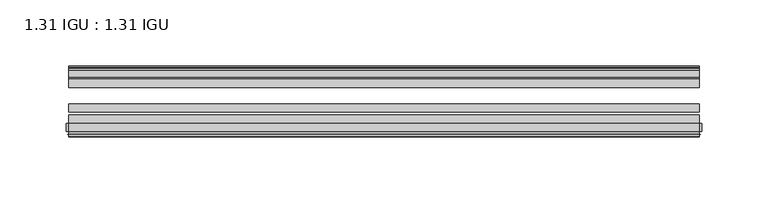
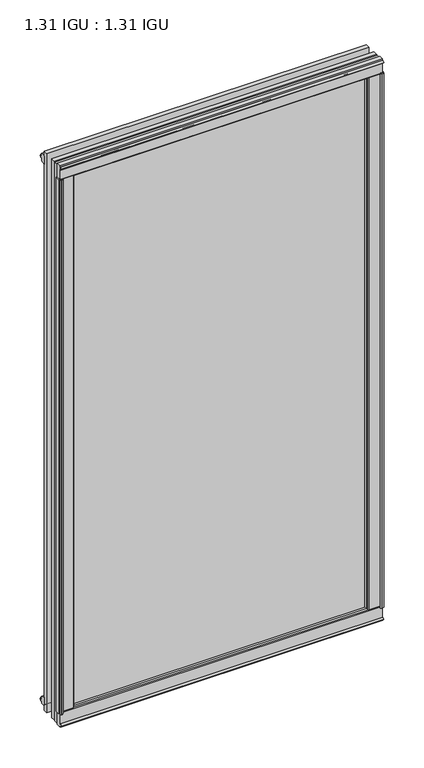
"""IFC4 building model written with IfcOpenShell, lengths in millimetres: plate geometry, 1.31 IGU : 1.31 IGU."""

import ifcopenshell
import ifcopenshell.guid

model = None  # the IFC model being written
_history = None  # IfcOwnerHistory: only IFC2X3 demands one
_inside = {}  # id of a spatial element -> (the spatial element, [elements in it])
_under = {}  # id of a project, library or spatial element -> (it, [spatial elements below it])
_declared = {}  # id of a project -> (the project, [libraries it declares])
_typed = {}  # id of a type object -> (the type object, [elements of that type])
_made_of = {}  # id of a material, layer set ... -> (it, [elements and type objects made of it])


def new_model(schema):
    """Start an empty IFC model of exactly this schema.

    Asked for "IFC4X3", IfcOpenShell would pick the latest addendum, in which some entities
    have other attributes; the version numbers below select the first issue.
    IFC2X3 requires an IfcOwnerHistory on every rooted entity: one is made here for all.
    """
    global model, _history
    if schema == "IFC4X3":
        model = ifcopenshell.file(schema_version=(4, 3, 0, 0))
    else:
        model = ifcopenshell.file(schema=schema)
    _inside.clear()
    _under.clear()
    _declared.clear()
    _typed.clear()
    _made_of.clear()
    _history = None
    if model.schema == "IFC2X3":
        org = make("IfcOrganization", Name="unknown")
        user = make(
            "IfcPersonAndOrganization",
            ThePerson=make("IfcPerson", FamilyName="unknown"),
            TheOrganization=org,
        )
        app = make(
            "IfcApplication",
            ApplicationDeveloper=org,
            Version="unknown",
            ApplicationFullName="unknown",
            ApplicationIdentifier="unknown",
        )
        _history = make(
            "IfcOwnerHistory",
            OwningUser=user,
            OwningApplication=app,
            ChangeAction="ADDED",
            CreationDate=0,
        )
    return model


def make(cls, **values):
    """One entity of the class cls with the attributes given. An attribute that is None is left unset."""
    return model.create_entity(
        cls, **{name: value for name, value in values.items() if value is not None}
    )


def rooted(cls, **values):
    """An entity with a GlobalId (a new one), such as an element, a storey or a relation."""
    return make(cls, GlobalId=ifcopenshell.guid.new(), OwnerHistory=_history, **values)


def si_unit(unit_type, name, prefix=None):
    """IfcSIUnit, for example si_unit("LENGTHUNIT", "METRE", prefix="MILLI")."""
    return make("IfcSIUnit", UnitType=unit_type, Prefix=prefix, Name=name)


def assignment(units):
    """IfcUnitAssignment: the units of a project."""
    return None if units is None else make("IfcUnitAssignment", Units=units)


def point(xyz):
    """IfcCartesianPoint."""
    return None if xyz is None else make("IfcCartesianPoint", Coordinates=xyz)


def direction(xyz):
    """IfcDirection."""
    return None if xyz is None else make("IfcDirection", DirectionRatios=xyz)


def frame(location, z_axis=None, x_axis=None):
    """IfcAxis2Placement3D, a coordinate frame: its origin and axes. An axis left out is left unset."""
    return make(
        "IfcAxis2Placement3D",
        Location=point(location),
        Axis=direction(z_axis),
        RefDirection=direction(x_axis),
    )


def frame_2d(location, x_axis=None):
    """IfcAxis2Placement2D, a coordinate frame in the plane: its origin and x axis."""
    return make(
        "IfcAxis2Placement2D", Location=point(location), RefDirection=direction(x_axis)
    )


def origin():
    """The frame at (0, 0, 0) with its axes left unset."""
    return frame((0.0, 0.0, 0.0))


def origin_with_axes():
    """The frame at (0, 0, 0) with the z axis (0, 0, 1) and the x axis (1, 0, 0) written out."""
    return frame((0.0, 0.0, 0.0), z_axis=(0.0, 0.0, 1.0), x_axis=(1.0, 0.0, 0.0))


def place(relative_to, where):
    """IfcLocalPlacement: puts the frame where relative to a parent placement (None: the world)."""
    return make(
        "IfcLocalPlacement", PlacementRelTo=relative_to, RelativePlacement=where
    )


def context(
    kind, dimensions, precision=None, world=None, true_north=None, identifier=None
):
    """IfcGeometricRepresentationContext, for example the 3D "Model" context."""
    return make(
        "IfcGeometricRepresentationContext",
        ContextIdentifier=identifier,
        ContextType=kind,
        CoordinateSpaceDimension=dimensions,
        Precision=precision,
        WorldCoordinateSystem=world,
        TrueNorth=true_north,
    )


def project(units=None, contexts=None):
    """IfcProject with its units and contexts."""
    return rooted(
        "IfcProject",
        Name="project",
        RepresentationContexts=contexts,
        UnitsInContext=assignment(units),
    )


def spatial(cls, under=None, at=None, **own):
    """A site, building, storey or space (cls), placed at a placement, below another one or the project."""
    s = rooted(cls, ObjectPlacement=at, **own)
    if under is not None:
        _under.setdefault(under.id(), (under, []))[1].append(s)
    return s


def polyline(points):
    """IfcPolyline through the points."""
    return make("IfcPolyline", Points=[point(p) for p in points])


def circle_curve(where, radius):
    """IfcCircle in the frame where."""
    return make("IfcCircle", Position=where, Radius=radius)


def trimmed(basis, trim1, trim2, sense, master):
    """IfcTrimmedCurve: the piece of a basis curve between two trims."""
    return make(
        "IfcTrimmedCurve",
        BasisCurve=basis,
        Trim1=trim1,
        Trim2=trim2,
        SenseAgreement=sense,
        MasterRepresentation=master,
    )


def segment(curve, same_sense, transition):
    """IfcCompositeCurveSegment."""
    return make(
        "IfcCompositeCurveSegment",
        Transition=transition,
        SameSense=same_sense,
        ParentCurve=curve,
    )


def composite_curve(segments, self_intersect=None):
    """IfcCompositeCurve: segments joined end to end."""
    return make("IfcCompositeCurve", Segments=segments, SelfIntersect=self_intersect)


def outline(outer, holes=None, kind="AREA"):
    """IfcArbitraryClosedProfileDef: a profile drawn as a closed curve; with holes, ...WithVoids."""
    if holes is None:
        return make("IfcArbitraryClosedProfileDef", ProfileType=kind, OuterCurve=outer)
    return make(
        "IfcArbitraryProfileDefWithVoids",
        ProfileType=kind,
        OuterCurve=outer,
        InnerCurves=holes,
    )


def extrude(swept, where, along, depth):
    """IfcExtrudedAreaSolid: the profile swept, set in the frame where, extruded along a direction by depth."""
    return make(
        "IfcExtrudedAreaSolid",
        SweptArea=swept,
        Position=where,
        ExtrudedDirection=direction(along),
        Depth=depth,
    )


def shape(context_of_items, identifier, shape_type, items):
    """IfcShapeRepresentation: the items that make up one representation, for example the "Body"."""
    return make(
        "IfcShapeRepresentation",
        ContextOfItems=context_of_items,
        RepresentationIdentifier=identifier,
        RepresentationType=shape_type,
        Items=items,
    )


def source(mapping_origin, context_of_items, identifier, shape_type, items):
    """IfcRepresentationMap: a shape defined once, which mapped items show again and again."""
    return make(
        "IfcRepresentationMap",
        MappingOrigin=mapping_origin,
        MappedRepresentation=shape(context_of_items, identifier, shape_type, items),
    )


def transform(
    local_origin,
    x_axis=None,
    y_axis=None,
    z_axis=None,
    scale=None,
    scale2=None,
    scale3=None,
    uniform=True,
):
    """IfcCartesianTransformationOperator3D, or its non-uniform kind. x_axis, y_axis, z_axis: its Axis1, 2, 3."""
    if uniform:
        return make(
            "IfcCartesianTransformationOperator3D",
            Axis1=direction(x_axis),
            Axis2=direction(y_axis),
            LocalOrigin=point(local_origin),
            Scale=scale,
            Axis3=direction(z_axis),
        )
    return make(
        "IfcCartesianTransformationOperator3DnonUniform",
        Axis1=direction(x_axis),
        Axis2=direction(y_axis),
        LocalOrigin=point(local_origin),
        Scale=scale,
        Axis3=direction(z_axis),
        Scale2=scale2,
        Scale3=scale3,
    )


def mapped(mapping_source, mapping_target):
    """IfcMappedItem: shows the shape of a source again, moved by a transform."""
    return make(
        "IfcMappedItem", MappingSource=mapping_source, MappingTarget=mapping_target
    )


def made_of(thing, what):
    """Note that an element or type object is made of a material, layer set ...; save() writes the relation."""
    if what is not None:
        _made_of.setdefault(what.id(), (what, []))[1].append(thing)
    return thing


def element(
    cls,
    number,
    at=None,
    inside=None,
    cuts=None,
    type_object=None,
    material=None,
    context=None,
    identifier="Body",
    shape_type=None,
    held_by="IfcProductDefinitionShape",
    body=None,
    shapes=None,
    **own,
):
    """One element of the class cls, such as IfcWall. Its Tag is "e" and its number.

    at: its placement. inside: the storey or other place that contains it. cuts: it is an
    opening in that element (IfcRelVoidsElement). A single representation is given by context,
    identifier, shape_type and body (its items); several are given by shapes. held_by: the class
    of the entity that holds the representations. save() writes the other relations.
    """
    e = rooted(cls, Tag="e%d" % number, ObjectPlacement=at, **own)
    if body is not None:
        shapes = [shape(context, identifier, shape_type, body)]
    if shapes is not None:
        e.Representation = make(held_by, Representations=shapes)
    if inside is not None:
        _inside.setdefault(inside.id(), (inside, []))[1].append(e)
    if cuts is not None:
        rooted(
            "IfcRelVoidsElement", RelatingBuildingElement=cuts, RelatedOpeningElement=e
        )
    if type_object is not None:
        _typed.setdefault(type_object.id(), (type_object, []))[1].append(e)
    return made_of(e, material)


def aggregate(whole, parts):
    """IfcRelAggregates: a whole, such as a stair, and the parts it consists of."""
    return rooted("IfcRelAggregates", RelatingObject=whole, RelatedObjects=parts)


def save(model, path):
    """Write the relations noted so far, then the file.

    IfcRelAggregates (storeys below a building ...), IfcRelContainedInSpatialStructure (elements
    in a storey), IfcRelDefinesByType, IfcRelAssociatesMaterial and IfcRelDeclares: one each for
    every whole, place, type object, material and project.
    """
    for whole, parts in _under.values():
        aggregate(whole, parts)
    for where, things in _inside.values():
        rooted(
            "IfcRelContainedInSpatialStructure",
            RelatedElements=things,
            RelatingStructure=where,
        )
    for kind, things in _typed.values():
        rooted("IfcRelDefinesByType", RelatedObjects=things, RelatingType=kind)
    for what, things in _made_of.values():
        rooted("IfcRelAssociatesMaterial", RelatedObjects=things, RelatingMaterial=what)
    for by, libraries in _declared.values():
        rooted("IfcRelDeclares", RelatingContext=by, RelatedDefinitions=libraries)
    model.write(path)


def plate_1_31_igu_1_31_igu_a39d95f6(model_context):
    return source(origin(), model_context, "Body", "SweptSolid", [
        extrude(outline(polyline([(224.9023568, -11.1943457), (223.5003235, -11.5700195), (223.2702333, -10.7113114), (225.6832333, -10.06475), (228.0962333, -10.7113114), (227.8661432, -11.5700195), (226.4641098, -11.1943457), (227.0802333, -13.49375), (230.7588074, -13.49375), (230.7588074, -18.1284104), (229.3301628, -19.84375), (217.6174921, -19.84375), (219.3332333, -13.49375), (224.2862333, -13.49375), (224.9023568, -11.1943457)])), origin_with_axes(), (0.0, 0.0, 1.0), 831.85),
        extrude(outline(polyline([(-224.9023568, -11.1943457), (-224.2862333, -13.49375), (-219.3332333, -13.49375), (-217.6174921, -19.84375), (-229.3301628, -19.84375), (-230.7588074, -18.1284104), (-230.7588074, -13.49375), (-227.0802333, -13.49375), (-226.4641098, -11.1943457), (-227.8661432, -11.5700195), (-228.0962333, -10.7113114), (-225.6832333, -10.06475), (-223.2702333, -10.7113114), (-223.5003235, -11.5700195), (-224.9023568, -11.1943457)])), origin_with_axes(), (0.0, 0.0, 1.0), 831.85),
        extrude(outline(polyline([(-13.49375, -5.7276998), (-11.1943457, -6.3438233), (-11.5700195, -4.9417899), (-10.7113114, -4.7116998), (-10.06475, -7.1246998), (-10.7113114, -9.5376998), (-11.5700195, -9.3076097), (-11.1943457, -7.9055763), (-13.49375, -8.5216998), (-13.49375, -12.2002739), (-18.1284104, -12.2002739), (-19.84375, -10.7716292), (-19.84375, 0.9410414), (-13.49375, -0.7746998), (-13.49375, -5.7276998)])), frame((-237.5958333, 0.0, 0.0), z_axis=(1.0, 0.0, 0.0), x_axis=(0.0, 1.0, 0.0)), (0.0, 0.0, 1.0), 475.1916667),
        extrude(outline(composite_curve([segment(polyline([(-55.9719113, 2.457708), (-53.16855, 3.0868452), (-53.16855, -20.9097918), (-59.51855, -20.9097918), (-59.51855, -18.6868471), (-62.0391488, -18.0752025), (-61.5965021, -19.0933159), (-61.5965021, -19.98942), (-63.2729251, -17.4063265), (-61.3290281, -15.2058028), (-61.3290281, -16.0360741), (-61.9417436, -16.9618553), (-59.51855, -16.8077164), (-59.51855, 0.6826418)]), True, "CONTINUOUS"), segment(trimmed(circle_curve(frame_2d((-58.24855, 0.6826418)), 1.27), [point((-59.51855, 0.6826418))], [point((-58.6007815, 1.9028193))], False, "CARTESIAN"), True, "CONTINUOUS"), segment(polyline([(-58.6007815, 1.9028193), (-55.9719113, 2.457708)]), True, "CONTINUOUS")], self_intersect=False)), frame((-237.5958333, 0.0, 0.0), z_axis=(1.0, 0.0, 0.0), x_axis=(0.0, 1.0, 0.0)), (0.0, 0.0, 1.0), 475.1916667),
        extrude(outline(polyline([(-13.49375, 837.5776998), (-13.49375, 832.6246998), (-19.84375, 830.9089586), (-19.84375, 842.6216292), (-18.1284104, 844.0502739), (-13.49375, 844.0502739), (-13.49375, 840.3716998), (-11.1943457, 839.7555763), (-11.5700195, 841.1576097), (-10.7113114, 841.3876998), (-10.06475, 838.9746998), (-10.7113114, 836.5616998), (-11.5700195, 836.7917899), (-11.1943457, 838.1938233), (-13.49375, 837.5776998)])), frame((-237.5958333, 0.0, 0.0), z_axis=(1.0, 0.0, 0.0), x_axis=(0.0, 1.0, 0.0)), (0.0, 0.0, 1.0), 475.1916667),
        extrude(outline(composite_curve([segment(polyline([(-55.9719113, 829.392292), (-58.6007815, 829.9471807)]), True, "CONTINUOUS"), segment(trimmed(circle_curve(frame_2d((-58.24855, 831.1673582)), 1.27), [point((-58.6007815, 829.9471807))], [point((-59.51855, 831.1673582))], False, "CARTESIAN"), True, "CONTINUOUS"), segment(polyline([(-59.51855, 831.1673582), (-59.51855, 848.6577164), (-61.9417436, 848.8118553), (-61.3290281, 847.8860741), (-61.3290281, 847.0558028), (-63.2729251, 849.2563265), (-61.5965021, 851.83942), (-61.5965021, 850.9433159), (-62.0391488, 849.9252025), (-59.51855, 850.5368471), (-59.51855, 852.7597918), (-53.16855, 852.7597918), (-53.16855, 828.7631548), (-55.9719113, 829.392292)]), True, "CONTINUOUS")], self_intersect=False)), frame((-237.5958333, 0.0, 0.0), z_axis=(1.0, 0.0, 0.0), x_axis=(0.0, 1.0, 0.0)), (0.0, 0.0, 1.0), 475.1916667),
        extrude(outline(composite_curve([segment(polyline([(-235.96486, -63.2729251), (-238.5479535, -61.5965021), (-237.6518494, -61.5965021), (-236.633736, -62.0391488), (-237.2453806, -59.51855), (-239.4683253, -59.51855), (-239.4683253, -53.16855), (-215.4716884, -53.16855), (-216.1008256, -55.9719113), (-216.6557143, -58.6007815)]), True, "CONTINUOUS"), segment(trimmed(circle_curve(frame_2d((-217.8758917, -58.24855)), 1.27), [point((-216.6557143, -58.6007815))], [point((-217.8758917, -59.51855))], False, "CARTESIAN"), True, "CONTINUOUS"), segment(polyline([(-217.8758917, -59.51855), (-235.36625, -59.51855), (-235.5203888, -61.9417436), (-234.5946076, -61.3290281), (-233.7830796, -61.3290281), (-235.96486, -63.2729251)]), True, "CONTINUOUS")], self_intersect=False)), origin_with_axes(), (0.0, 0.0, 1.0), 831.85),
        extrude(outline(composite_curve([segment(polyline([(235.96486, -63.2729251), (233.7830796, -61.3290281), (234.5946076, -61.3290281), (235.5203888, -61.9417436), (235.36625, -59.51855), (217.8758917, -59.51855)]), True, "CONTINUOUS"), segment(trimmed(circle_curve(frame_2d((217.8758917, -58.24855)), 1.27), [point((217.8758917, -59.51855))], [point((216.6557143, -58.6007815))], False, "CARTESIAN"), True, "CONTINUOUS"), segment(polyline([(216.6557143, -58.6007815), (216.1008256, -55.9719113), (215.4716884, -53.16855), (239.4683253, -53.16855), (239.4683253, -59.51855), (237.2453806, -59.51855), (236.633736, -62.0391488), (237.6518494, -61.5965021), (238.5479535, -61.5965021), (235.96486, -63.2729251)]), True, "CONTINUOUS")], self_intersect=False)), origin_with_axes(), (0.0, 0.0, 1.0), 831.85),
        extrude(outline(polyline([(237.5958333, -19.84375), (237.5958333, -26.14295), (-237.5958333, -26.14295), (-237.5958333, -19.84375), (237.5958333, -19.84375)])), frame((0.0, 0.0, -19.05), z_axis=(0.0, 0.0, 1.0), x_axis=(1.0, 0.0, 0.0)), (0.0, 0.0, 1.0), 869.95),
        extrude(outline(polyline([(-237.5958333, -44.83735), (-237.5958333, -38.53815), (237.5958333, -38.53815), (237.5958333, -44.83735), (-237.5958333, -44.83735)])), frame((0.0, 0.0, -19.05), z_axis=(0.0, 0.0, 1.0), x_axis=(1.0, 0.0, 0.0)), (0.0, 0.0, 1.0), 869.95),
        extrude(outline(polyline([(-237.5958333, -53.16855), (-237.5958333, -46.86935), (237.5958333, -46.86935), (237.5958333, -53.16855), (-237.5958333, -53.16855)])), frame((0.0, 0.0, -19.05), z_axis=(0.0, 0.0, 1.0), x_axis=(1.0, 0.0, 0.0)), (0.0, 0.0, 1.0), 869.95),
    ])


if __name__ == "__main__":
    model = new_model("IFC4")
    model_context = context("Model", 3, world=origin())
    ifc_project = project(units=[si_unit("LENGTHUNIT", "METRE", prefix="MILLI")], contexts=[model_context])
    site = spatial("IfcSite", under=ifc_project)
    building = spatial("IfcBuilding", under=site)
    placement = place(None, origin())
    plate_1_31_igu_1_31_igu_shape = plate_1_31_igu_1_31_igu_a39d95f6(model_context)
    element("IfcPlate", 1, ObjectType="1.31 IGU : 1.31 IGU", at=placement, inside=building, context=model_context, shape_type="MappedRepresentation", body=[
        mapped(plate_1_31_igu_1_31_igu_shape, transform((0.0, 0.0, 0.0), x_axis=(1.0, 0.0, 0.0), y_axis=(0.0, 1.0, 0.0), z_axis=(0.0, 0.0, 1.0))),
    ])
    save(model, "model.ifc")
